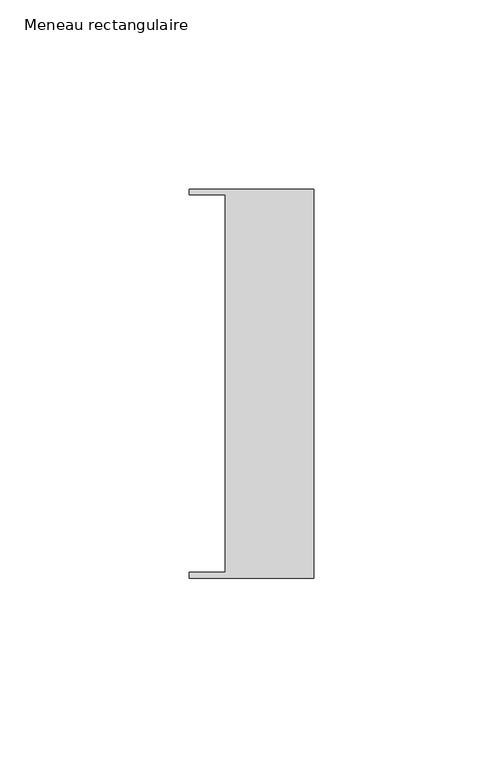
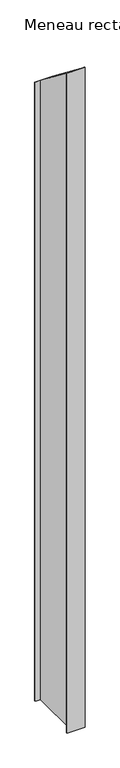
"""IFC4 building model written with IfcOpenShell, lengths in millimetres: member geometry, Meneau rectangulaire."""

from ifc_helpers import new_model, si_unit, origin, place, context, project, spatial, faceted_brep, source, transform, mapped, element, save


def meneau_rectangulaire_dd941e22(model_context):
    return source(origin(), model_context, "Body", "Brep", [
        faceted_brep([(-33.0, 51.4622428, -1238.1500003), (0.0, 51.4622428, -1238.1500003), (0.0, -51.4712299, -1238.1500003), (-33.0, -51.4712299, -1238.1500003), (-33.0, -49.9505712, -1238.1500003), (-23.4, -49.9505712, -1238.1500003), (-23.4, 49.9614402, -1238.1500003), (-33.0, 49.9614402, -1238.1500003), (-23.4, -49.9505712, 38.9474223), (-23.4, 49.9614402, -38.9558971), (0.0, -51.4712299, 40.1331091), (-33.0, -51.4712299, 40.1331091), (0.0, 51.4622428, -40.1261017), (-33.0, 51.4622428, -40.1261017), (-33.0, 49.9614402, -38.9558971), (-33.0, -49.9505712, 38.9474223)], [[[0, 1, 2, 3, 4, 5, 6, 7]], [[8, 9, 6, 5]], [[10, 11, 3, 2]], [[12, 10, 2, 1]], [[13, 12, 1, 0]], [[14, 13, 0, 7]], [[9, 14, 7, 6]], [[15, 8, 5, 4]], [[11, 15, 4, 3]], [[13, 14, 9, 8, 15, 11, 10, 12]]]),
    ])


if __name__ == "__main__":
    model = new_model("IFC4")
    model_context = context("Model", 3, world=origin())
    ifc_project = project(units=[si_unit("LENGTHUNIT", "METRE", prefix="MILLI")], contexts=[model_context])
    site = spatial("IfcSite", under=ifc_project)
    building = spatial("IfcBuilding", under=site)
    placement = place(None, origin())
    meneau_rectangulaire_shape = meneau_rectangulaire_dd941e22(model_context)
    element("IfcMember", 1, ObjectType="Meneau rectangulaire", at=placement, inside=building, context=model_context, shape_type="MappedRepresentation", body=[
        mapped(meneau_rectangulaire_shape, transform((0.0, 0.0, 0.0), x_axis=(1.0, 0.0, 0.0), y_axis=(0.0, 1.0, 0.0), z_axis=(0.0, 0.0, 1.0))),
    ])
    save(model, "model.ifc")
